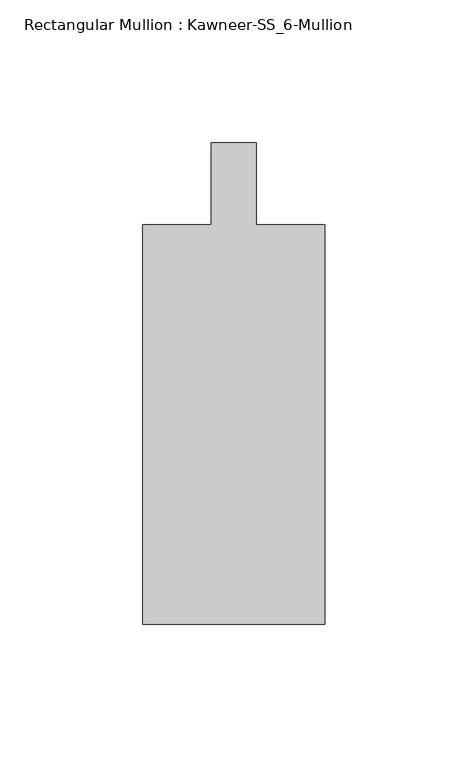
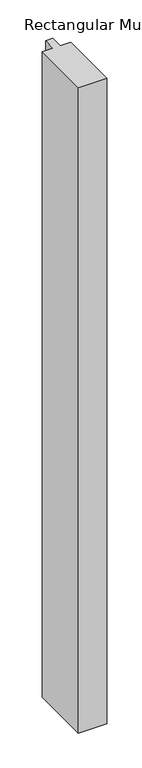
"""IFC4 building model written with IfcOpenShell, lengths in millimetres: member geometry, Rectangular Mullion : Kawneer-SS_6-Mullion."""

from ifc_helpers import new_model, si_unit, frame, origin, place, context, project, spatial, polyline, outline, extrude, source, transform, mapped, element, save


def rectangular_mullion_kawneer_ss_6_mullion_b3943c9e(model_context):
    return source(origin(), model_context, "Body", "SweptSolid", [
        extrude(outline(polyline([(-31.75, -153.9875), (-31.75, -14.2875), (-7.9375, -14.2875), (-7.9375, 14.2875), (7.9375, 14.2875), (7.9375, -14.2875), (31.75, -14.2875), (31.75, -153.9875), (-31.75, -153.9875)])), frame((0.0, 0.0, -1524.0), z_axis=(0.0, 0.0, 1.0), x_axis=(1.0, 0.0, 0.0)), (0.0, 0.0, 1.0), 1524.0),
    ])


if __name__ == "__main__":
    model = new_model("IFC4")
    model_context = context("Model", 3, world=origin())
    ifc_project = project(units=[si_unit("LENGTHUNIT", "METRE", prefix="MILLI")], contexts=[model_context])
    site = spatial("IfcSite", under=ifc_project)
    building = spatial("IfcBuilding", under=site)
    placement = place(None, origin())
    rectangular_mullion_kawneer_ss_6_mullion_shape = rectangular_mullion_kawneer_ss_6_mullion_b3943c9e(model_context)
    element("IfcMember", 1, ObjectType="Rectangular Mullion : Kawneer-SS_6-Mullion", at=placement, inside=building, context=model_context, shape_type="MappedRepresentation", body=[
        mapped(rectangular_mullion_kawneer_ss_6_mullion_shape, transform((0.0, 0.0, 0.0), x_axis=(1.0, 0.0, 0.0), y_axis=(0.0, 1.0, 0.0), z_axis=(0.0, 0.0, 1.0))),
    ])
    save(model, "model.ifc")
